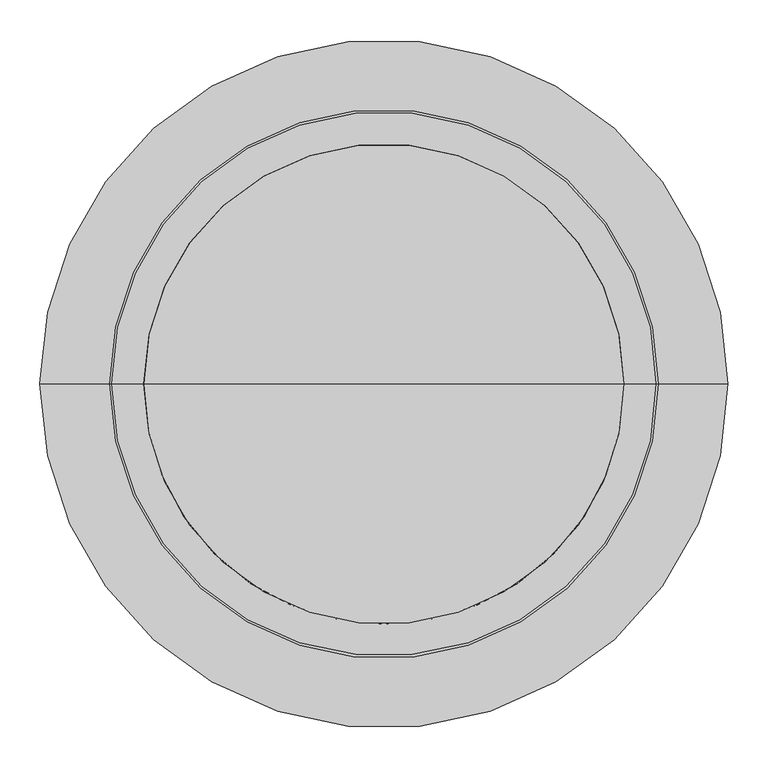
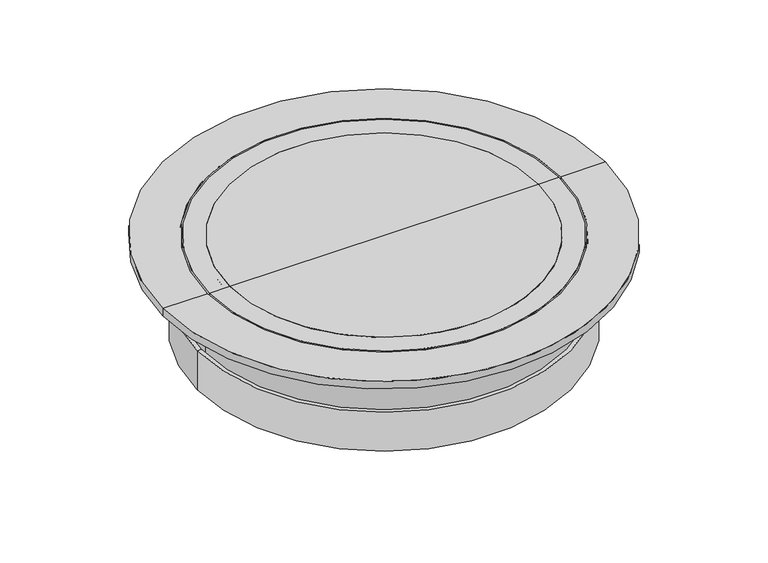
"""IFC4 building model written with IfcOpenShell, lengths in millimetres: sanitary terminal geometry."""

from ifc_helpers import new_model, si_unit, point, frame, origin, origin_with_axes, place, context, project, spatial, polyline, circle_curve, ellipse_curve, trimmed, source, transform, mapped, element, save
from ifc_brep_helpers import plane_surface, cylinder_surface, revolved_surface, advanced_brep


def sanitary_terminal_689e12b0(model_context):
    return source(origin(), model_context, "Body", "AdvancedBrep", [
        advanced_brep(
        [(363.0, 0.0, -110.0), (-363.0, 0.0, -110.0), (-355.0, 0.0, -110.0), (355.0, 0.0, -110.0), (363.0, 0.0, -190.0), (-363.0, 0.0, -190.0), (355.0, 0.0, -190.0), (-355.0, 0.0, -190.0)],
        [
            (0, 1, circle_curve(frame((0.0, 0.0, -110.0), z_axis=(0.0, 0.0, 1.0), x_axis=(-1.0, 0.0, 0.0)), 363.0)),
            (1, 2),
            (2, 3, circle_curve(frame((0.0, 0.0, -110.0), z_axis=(0.0, 0.0, -1.0), x_axis=(-1.0, 0.0, 0.0)), 355.0)),
            (3, 0),
            (1, 0, circle_curve(frame((0.0, 0.0, -110.0), z_axis=(0.0, 0.0, 1.0), x_axis=(-1.0, 0.0, 0.0)), 363.0)),
            (3, 2, circle_curve(frame((0.0, 0.0, -110.0), z_axis=(0.0, 0.0, -1.0), x_axis=(-1.0, 0.0, 0.0)), 355.0)),
            (4, 5, circle_curve(frame((0.0, 0.0, -190.0), z_axis=(0.0, 0.0, 1.0), x_axis=(-1.0, 0.0, 0.0)), 363.0)),
            (5, 1),
            (0, 4),
            (5, 4, circle_curve(frame((0.0, 0.0, -190.0), z_axis=(0.0, 0.0, 1.0), x_axis=(-1.0, 0.0, 0.0)), 363.0)),
            (6, 7, circle_curve(frame((0.0, 0.0, -190.0), z_axis=(0.0, 0.0, 1.0), x_axis=(-1.0, 0.0, 0.0)), 355.0)),
            (7, 5),
            (4, 6),
            (7, 6, circle_curve(frame((0.0, 0.0, -190.0), z_axis=(0.0, 0.0, 1.0), x_axis=(-1.0, 0.0, 0.0)), 355.0)),
            (2, 7),
            (6, 3),
        ],
        [
            plane_surface(frame((0.0, 0.0, -110.0), z_axis=(0.0, 0.0, 1.0), x_axis=(-1.0, 0.0, 0.0))),
            cylinder_surface(frame((0.0, 0.0, 110.5258156), z_axis=(0.0, 0.0, -1.0), x_axis=(-1.0, 0.0, 0.0)), 363.0),
            plane_surface(frame((0.0, 0.0, -190.0), z_axis=(0.0, 0.0, -1.0), x_axis=(-1.0, 0.0, 0.0))),
            revolved_surface(polyline([(-355.0, 0.0, -190.0), (-355.0, 0.0, -109.99999999999999)]), (0.0, 0.0, 110.5258156), (0.0, 0.0, -1.0)),
        ],
        [
            (0, [[1, 2, 3, 4]]),
            (0, [[5, -4, 6, -2]]),
            (1, [[7, 8, -1, 9]]),
            (1, [[10, -9, -5, -8]]),
            (2, [[11, 12, -7, 13]]),
            (2, [[14, -13, -10, -12]]),
            (3, [[-3, 15, -11, 16]]),
            (3, [[-6, -16, -14, -15]]),
        ],
    ),
        advanced_brep(
        [(-430.0, 0.0, 0.0), (430.0, 0.0, 0.0), (430.0, 0.0, -15.0), (-430.0, 0.0, -15.0), (-343.4280406, 0.0, 0.0), (343.4280406, 0.0, 0.0), (-343.4280406, 0.0, -50.0), (343.4280406, 0.0, -50.0), (-302.5, 0.0, -50.0), (302.5, 0.0, -50.0), (-302.5, 0.0, -65.0), (302.5, 0.0, -65.0), (-337.5, 0.0, -65.0), (337.5, 0.0, -65.0), (-337.5, 0.0, -140.0), (337.5, 0.0, -140.0), (-347.5, 0.0, -140.0), (347.5, 0.0, -140.0), (-347.5, 0.0, -65.0), (347.5, 0.0, -65.0), (-353.4280406, 0.0, -60.1624967), (353.4280406, 0.0, -60.1624967), (-353.4280406, 0.0, -15.0), (353.4280406, 0.0, -15.0)],
        [
            (0, 1, circle_curve(frame((0.0, 0.0, 0.0), z_axis=(0.0, 0.0, -1.0), x_axis=(1.0, 0.0, 0.0)), 430.0)),
            (1, 2),
            (2, 3, circle_curve(frame((0.0, 0.0, -15.0), z_axis=(0.0, 0.0, 1.0), x_axis=(1.0, 0.0, 0.0)), 430.0)),
            (3, 0),
            (1, 0, circle_curve(frame((0.0, 0.0, 0.0), z_axis=(0.0, 0.0, -1.0), x_axis=(1.0, 0.0, 0.0)), 430.0)),
            (3, 2, circle_curve(frame((0.0, 0.0, -15.0), z_axis=(0.0, 0.0, 1.0), x_axis=(1.0, 0.0, 0.0)), 430.0)),
            (4, 5, circle_curve(frame((0.0, 0.0, 0.0), z_axis=(0.0, 0.0, -1.0), x_axis=(1.0, 0.0, 0.0)), 343.4280406)),
            (5, 1),
            (0, 4),
            (5, 4, circle_curve(frame((0.0, 0.0, 0.0), z_axis=(0.0, 0.0, -1.0), x_axis=(1.0, 0.0, 0.0)), 343.4280406)),
            (6, 7, circle_curve(frame((0.0, 0.0, -50.0), z_axis=(0.0, 0.0, -1.0), x_axis=(1.0, 0.0, 0.0)), 343.4280406)),
            (7, 5),
            (4, 6),
            (7, 6, circle_curve(frame((0.0, 0.0, -50.0), z_axis=(0.0, 0.0, -1.0), x_axis=(1.0, 0.0, 0.0)), 343.4280406)),
            (8, 9, circle_curve(frame((0.0, 0.0, -50.0), z_axis=(0.0, 0.0, -1.0), x_axis=(1.0, 0.0, 0.0)), 302.5)),
            (9, 7),
            (6, 8),
            (9, 8, circle_curve(frame((0.0, 0.0, -50.0), z_axis=(0.0, 0.0, -1.0), x_axis=(1.0, 0.0, 0.0)), 302.5)),
            (10, 11, circle_curve(frame((0.0, 0.0, -65.0), z_axis=(0.0, 0.0, -1.0), x_axis=(1.0, 0.0, 0.0)), 302.5)),
            (11, 9),
            (8, 10),
            (11, 10, circle_curve(frame((0.0, 0.0, -65.0), z_axis=(0.0, 0.0, -1.0), x_axis=(1.0, 0.0, 0.0)), 302.5)),
            (12, 13, circle_curve(frame((0.0, 0.0, -65.0), z_axis=(0.0, 0.0, -1.0), x_axis=(1.0, 0.0, 0.0)), 337.5)),
            (13, 11),
            (10, 12),
            (13, 12, circle_curve(frame((0.0, 0.0, -65.0), z_axis=(0.0, 0.0, -1.0), x_axis=(1.0, 0.0, 0.0)), 337.5)),
            (14, 15, circle_curve(frame((0.0, 0.0, -140.0), z_axis=(0.0, 0.0, -1.0), x_axis=(1.0, 0.0, 0.0)), 337.5)),
            (15, 13),
            (12, 14),
            (15, 14, circle_curve(frame((0.0, 0.0, -140.0), z_axis=(0.0, 0.0, -1.0), x_axis=(1.0, 0.0, 0.0)), 337.5)),
            (16, 17, circle_curve(frame((0.0, 0.0, -140.0), z_axis=(0.0, 0.0, -1.0), x_axis=(1.0, 0.0, 0.0)), 347.5)),
            (17, 15),
            (14, 16),
            (17, 16, circle_curve(frame((0.0, 0.0, -140.0), z_axis=(0.0, 0.0, -1.0), x_axis=(1.0, 0.0, 0.0)), 347.5)),
            (18, 19, circle_curve(frame((0.0, 0.0, -65.0), z_axis=(0.0, 0.0, -1.0), x_axis=(1.0, 0.0, 0.0)), 347.5)),
            (19, 17),
            (16, 18),
            (19, 18, circle_curve(frame((0.0, 0.0, -65.0), z_axis=(0.0, 0.0, -1.0), x_axis=(1.0, 0.0, 0.0)), 347.5)),
            (20, 21, circle_curve(frame((0.0, 0.0, -60.1624967), z_axis=(0.0, 0.0, -1.0), x_axis=(1.0, 0.0, 0.0)), 353.4280406)),
            (21, 19),
            (18, 20),
            (21, 20, circle_curve(frame((0.0, 0.0, -60.1624967), z_axis=(0.0, 0.0, -1.0), x_axis=(1.0, 0.0, 0.0)), 353.4280406)),
            (22, 23, circle_curve(frame((0.0, 0.0, -15.0), z_axis=(0.0, 0.0, -1.0), x_axis=(1.0, 0.0, 0.0)), 353.4280406)),
            (23, 21),
            (20, 22),
            (23, 22, circle_curve(frame((0.0, 0.0, -15.0), z_axis=(0.0, 0.0, -1.0), x_axis=(1.0, 0.0, 0.0)), 353.4280406)),
            (2, 23),
            (22, 3),
        ],
        [
            cylinder_surface(frame((0.0, 0.0, 220.5258156), z_axis=(0.0, 0.0, 1.0), x_axis=(1.0, 0.0, 0.0)), 430.0),
            plane_surface(origin_with_axes()),
            revolved_surface(polyline([(343.4280406, 0.0, 0.0), (343.4280406, 0.0, -50.0)]), (0.0, 0.0, 220.5258156), (0.0, 0.0, 1.0)),
            plane_surface(frame((0.0, 0.0, -50.0), z_axis=(0.0, 0.0, 1.0), x_axis=(1.0, 0.0, 0.0))),
            revolved_surface(polyline([(302.5, 0.0, -50.0), (302.5, 0.0, -65.0)]), (0.0, 0.0, 220.5258156), (0.0, 0.0, 1.0)),
            plane_surface(frame((0.0, 0.0, -65.0), z_axis=(0.0, 0.0, -1.0), x_axis=(1.0, 0.0, 0.0))),
            revolved_surface(polyline([(337.5, 0.0, -65.0), (337.5, 0.0, -140.0)]), (0.0, 0.0, 220.5258156), (0.0, 0.0, 1.0)),
            plane_surface(frame((0.0, 0.0, -140.0), z_axis=(0.0, 0.0, -1.0), x_axis=(1.0, 0.0, 0.0))),
            cylinder_surface(frame((0.0, 0.0, 220.5258156), z_axis=(0.0, 0.0, 1.0), x_axis=(1.0, 0.0, 0.0)), 347.5),
            revolved_surface(polyline([(347.5, 0.0, -65.0), (353.4280406, 0.0, -60.1624967)]), (0.0, 0.0, 220.5258156), (0.0, 0.0, 1.0)),
            cylinder_surface(frame((0.0, 0.0, 220.5258156), z_axis=(0.0, 0.0, 1.0), x_axis=(1.0, 0.0, 0.0)), 353.4280406),
            plane_surface(frame((0.0, 0.0, -15.0), z_axis=(0.0, 0.0, -1.0), x_axis=(1.0, 0.0, 0.0))),
        ],
        [
            (0, [[1, 2, 3, 4]]),
            (0, [[5, -4, 6, -2]]),
            (1, [[7, 8, -1, 9]]),
            (1, [[10, -9, -5, -8]]),
            (2, [[11, 12, -7, 13]]),
            (2, [[14, -13, -10, -12]]),
            (3, [[15, 16, -11, 17]]),
            (3, [[18, -17, -14, -16]]),
            (4, [[19, 20, -15, 21]]),
            (4, [[22, -21, -18, -20]]),
            (5, [[23, 24, -19, 25]]),
            (5, [[26, -25, -22, -24]]),
            (6, [[27, 28, -23, 29]]),
            (6, [[30, -29, -26, -28]]),
            (7, [[31, 32, -27, 33]]),
            (7, [[34, -33, -30, -32]]),
            (8, [[35, 36, -31, 37]]),
            (8, [[38, -37, -34, -36]]),
            (9, [[39, 40, -35, 41]]),
            (9, [[42, -41, -38, -40]]),
            (10, [[43, 44, -39, 45]]),
            (10, [[46, -45, -42, -44]]),
            (11, [[-3, 47, -43, 48]]),
            (11, [[-6, -48, -46, -47]]),
        ],
    ),
        advanced_brep(
        [(-300.0004067, 0.0, 0.0), (300.0004067, 0.0, 0.0), (299.5379027, 0.0, -10.2605064), (-299.5379027, 0.0, -10.2605064), (0.0, 0.0, 0.0), (-121.2914088, 0.0, -91.0), (121.2914088, 0.0, -91.0), (0.0, 0.0, -91.0), (-281.1057533, 0.0, -40.7382357), (281.1057533, 0.0, -40.7382357)],
        [
            (0, 1, circle_curve(frame((0.0, 0.0, 0.0), z_axis=(0.0, 0.0, -1.0), x_axis=(1.0, 0.0, 0.0)), 300.0004067)),
            (1, 2),
            (2, 3, circle_curve(frame((0.0, 0.0, -10.2605064), z_axis=(0.0, 0.0, 1.0), x_axis=(1.0, 0.0, 0.0)), 299.5379027)),
            (3, 0),
            (1, 0, circle_curve(frame((0.0, 0.0, 0.0), z_axis=(0.0, 0.0, -1.0), x_axis=(1.0, 0.0, 0.0)), 300.0004067)),
            (3, 2, circle_curve(frame((0.0, 0.0, -10.2605064), z_axis=(0.0, 0.0, 1.0), x_axis=(1.0, 0.0, 0.0)), 299.5379027)),
            (4, 1),
            (0, 4),
            (5, 6, circle_curve(frame((0.0, 0.0, -91.0), z_axis=(0.0, 0.0, -1.0), x_axis=(1.0, 0.0, 0.0)), 121.2914088)),
            (6, 7),
            (7, 5),
            (6, 5, circle_curve(frame((0.0, 0.0, -91.0), z_axis=(0.0, 0.0, -1.0), x_axis=(1.0, 0.0, 0.0)), 121.2914088)),
            (8, 9, circle_curve(frame((0.0, 0.0, -40.7382357), z_axis=(0.0, 0.0, -1.0), x_axis=(1.0, 0.0, 0.0)), 281.1057533)),
            (9, 6, circle_curve(frame((115.2533688, 0.0, 207.405765), z_axis=(0.0, 1.0, 0.0), x_axis=(1.0, 0.0, 0.0)), 298.4668466)),
            (5, 8, circle_curve(frame((-115.2533688, 0.0, 207.405765), z_axis=(0.0, 1.0, 0.0), x_axis=(-1.0, 0.0, 0.0)), 298.4668466)),
            (9, 8, circle_curve(frame((0.0, 0.0, -40.7382357), z_axis=(0.0, 0.0, -1.0), x_axis=(1.0, 0.0, 0.0)), 281.1057533)),
            (2, 9, circle_curve(frame((262.3526674, 0.0, -8.5843397), z_axis=(0.0, 1.0, 0.0), x_axis=(1.0, 0.0, 0.0)), 37.2229937)),
            (8, 3, circle_curve(frame((-262.3526674, 0.0, -8.5843397), z_axis=(0.0, 1.0, 0.0), x_axis=(-1.0, 0.0, 0.0)), 37.2229937)),
        ],
        [
            revolved_surface(polyline([(299.5379027, 0.0, -10.2605064), (300.0004067, 0.0, 0.0)]), (0.0, 0.0, 288.0984481), (0.0, 0.0, 1.0)),
            plane_surface(origin_with_axes()),
            plane_surface(frame((0.0, 0.0, -91.0), z_axis=(0.0, 0.0, -1.0), x_axis=(1.0, 0.0, 0.0))),
            revolved_surface(trimmed(ellipse_curve(frame((115.2533688, 0.0, 207.405765), z_axis=(0.0, -1.0, 0.0), x_axis=(1.0, 0.0, 0.0)), 298.4668466, 298.4668466), [point((121.2914088, 0.0, -91.0))], [point((281.1057533, 0.0, -40.7382357))], True, "CARTESIAN"), (0.0, 0.0, 288.0984481), (0.0, 0.0, 1.0)),
            revolved_surface(trimmed(ellipse_curve(frame((262.3526674, 0.0, -8.5843397), z_axis=(0.0, -1.0, 0.0), x_axis=(1.0, 0.0, 0.0)), 37.2229937, 37.2229937), [point((281.1057533, 0.0, -40.7382357))], [point((299.5379027, 0.0, -10.2605064))], True, "CARTESIAN"), (0.0, 0.0, 288.0984481), (0.0, 0.0, 1.0)),
        ],
        [
            (0, [[1, 2, 3, 4]]),
            (0, [[5, -4, 6, -2]]),
            (1, [[7, -1, 8]]),
            (1, [[-8, -5, -7]]),
            (2, [[9, 10, 11]]),
            (2, [[12, -11, -10]]),
            (3, [[13, 14, -9, 15]]),
            (3, [[16, -15, -12, -14]]),
            (4, [[-3, 17, -13, 18]]),
            (4, [[-6, -18, -16, -17]]),
        ],
    ),
        advanced_brep(
        [(-285.3562769, 0.0, -50.0), (285.3562769, 0.0, -50.0), (111.0003192, 0.0, -100.0), (-111.0003192, 0.0, -100.0), (-340.0, 0.0, -50.0), (340.0, 0.0, -50.0), (-340.0, 0.0, 0.0), (340.0, 0.0, 0.0), (-300.0004067, 0.0, 0.0), (300.0004067, 0.0, 0.0), (-299.5379027, 0.0, -10.2605064), (299.5379027, 0.0, -10.2605064), (-281.1057533, 0.0, -40.7382357), (281.1057533, 0.0, -40.7382357), (-108.8074725, 0.0, -90.9993333), (108.8074725, 0.0, -90.9993333), (0.0, 0.0, -90.9993333), (0.0, 0.0, -100.0)],
        [
            (0, 1, circle_curve(frame((0.0, 0.0, -50.0), z_axis=(0.0, 0.0, -1.0), x_axis=(1.0, 0.0, 0.0)), 285.3562769)),
            (1, 2, circle_curve(frame((111.0003192, 0.0, 229.0), z_axis=(0.0, 1.0, 0.0), x_axis=(1.0, 0.0, 0.0)), 329.0)),
            (2, 3, circle_curve(frame((0.0, 0.0, -100.0), z_axis=(0.0, 0.0, 1.0), x_axis=(1.0, 0.0, 0.0)), 111.0003192)),
            (3, 0, circle_curve(frame((-111.0003192, 0.0, 229.0), z_axis=(0.0, 1.0, 0.0), x_axis=(-1.0, 0.0, 0.0)), 329.0)),
            (1, 0, circle_curve(frame((0.0, 0.0, -50.0), z_axis=(0.0, 0.0, -1.0), x_axis=(1.0, 0.0, 0.0)), 285.3562769)),
            (3, 2, circle_curve(frame((0.0, 0.0, -100.0), z_axis=(0.0, 0.0, 1.0), x_axis=(1.0, 0.0, 0.0)), 111.0003192)),
            (4, 5, circle_curve(frame((0.0, 0.0, -50.0), z_axis=(0.0, 0.0, -1.0), x_axis=(1.0, 0.0, 0.0)), 340.0)),
            (5, 1),
            (0, 4),
            (5, 4, circle_curve(frame((0.0, 0.0, -50.0), z_axis=(0.0, 0.0, -1.0), x_axis=(1.0, 0.0, 0.0)), 340.0)),
            (6, 7, circle_curve(frame((0.0, 0.0, 0.0), z_axis=(0.0, 0.0, -1.0), x_axis=(1.0, 0.0, 0.0)), 340.0)),
            (7, 5),
            (4, 6),
            (7, 6, circle_curve(frame((0.0, 0.0, 0.0), z_axis=(0.0, 0.0, -1.0), x_axis=(1.0, 0.0, 0.0)), 340.0)),
            (8, 9, circle_curve(frame((0.0, 0.0, 0.0), z_axis=(0.0, 0.0, -1.0), x_axis=(1.0, 0.0, 0.0)), 300.0004067)),
            (9, 7),
            (6, 8),
            (9, 8, circle_curve(frame((0.0, 0.0, 0.0), z_axis=(0.0, 0.0, -1.0), x_axis=(1.0, 0.0, 0.0)), 300.0004067)),
            (10, 11, circle_curve(frame((0.0, 0.0, -10.2605064), z_axis=(0.0, 0.0, -1.0), x_axis=(1.0, 0.0, 0.0)), 299.5379027)),
            (11, 9),
            (8, 10),
            (11, 10, circle_curve(frame((0.0, 0.0, -10.2605064), z_axis=(0.0, 0.0, -1.0), x_axis=(1.0, 0.0, 0.0)), 299.5379027)),
            (12, 13, circle_curve(frame((0.0, 0.0, -40.7382357), z_axis=(0.0, 0.0, -1.0), x_axis=(1.0, 0.0, 0.0)), 281.1057533)),
            (13, 11, circle_curve(frame((259.2772657, 0.0, -6.7244155), z_axis=(0.0, -1.0, 0.0), x_axis=(1.0, 0.0, 0.0)), 40.4156261)),
            (10, 12, circle_curve(frame((-259.2772657, 0.0, -6.7244155), z_axis=(0.0, -1.0, 0.0), x_axis=(-1.0, 0.0, 0.0)), 40.4156261)),
            (13, 12, circle_curve(frame((0.0, 0.0, -40.7382357), z_axis=(0.0, 0.0, -1.0), x_axis=(1.0, 0.0, 0.0)), 281.1057533)),
            (14, 15, circle_curve(frame((0.0, 0.0, -90.9993333), z_axis=(0.0, 0.0, -1.0), x_axis=(1.0, 0.0, 0.0)), 108.8074725)),
            (15, 13, circle_curve(frame((108.8074725, 0.0, 229.4560187), z_axis=(0.0, -1.0, 0.0), x_axis=(1.0, 0.0, 0.0)), 320.4553521)),
            (12, 14, circle_curve(frame((-108.8074725, 0.0, 229.4560187), z_axis=(0.0, -1.0, 0.0), x_axis=(-1.0, 0.0, 0.0)), 320.4553521)),
            (15, 14, circle_curve(frame((0.0, 0.0, -90.9993333), z_axis=(0.0, 0.0, -1.0), x_axis=(1.0, 0.0, 0.0)), 108.8074725)),
            (16, 15),
            (14, 16),
            (2, 17),
            (17, 3),
        ],
        [
            revolved_surface(trimmed(ellipse_curve(frame((111.0003192, 0.0, 229.0), z_axis=(0.0, -1.0, 0.0), x_axis=(1.0, 0.0, 0.0)), 329.0, 329.0), [point((111.0003192, 0.0, -100.0))], [point((285.3562769, 0.0, -50.0))], True, "CARTESIAN"), (0.0, 0.0, 458.2962759), (0.0, 0.0, 1.0)),
            plane_surface(frame((0.0, 0.0, -50.0), z_axis=(0.0, 0.0, -1.0), x_axis=(1.0, 0.0, 0.0))),
            cylinder_surface(frame((0.0, 0.0, 458.2962759), z_axis=(0.0, 0.0, 1.0), x_axis=(1.0, 0.0, 0.0)), 340.0),
            plane_surface(origin_with_axes()),
            revolved_surface(polyline([(300.0004067, 0.0, 0.0), (299.5379027, 0.0, -10.2605064)]), (0.0, 0.0, 458.2962759), (0.0, 0.0, 1.0)),
            revolved_surface(trimmed(ellipse_curve(frame((259.2772657, 0.0, -6.7244155), z_axis=(0.0, 1.0, 0.0), x_axis=(1.0, 0.0, 0.0)), 40.4156261, 40.4156261), [point((299.5379027, 0.0, -10.2605064))], [point((281.1057533, 0.0, -40.7382357))], True, "CARTESIAN"), (0.0, 0.0, 458.2962759), (0.0, 0.0, 1.0)),
            revolved_surface(trimmed(ellipse_curve(frame((108.8074725, 0.0, 229.4560187), z_axis=(0.0, 1.0, 0.0), x_axis=(1.0, 0.0, 0.0)), 320.4553521, 320.4553521), [point((281.1057533, 0.0, -40.7382357))], [point((108.8074725, 0.0, -90.9993333))], True, "CARTESIAN"), (0.0, 0.0, 458.2962759), (0.0, 0.0, 1.0)),
            plane_surface(frame((0.0, 0.0, -90.9993333), z_axis=(0.0, 0.0, 1.0), x_axis=(1.0, 0.0, 0.0))),
            plane_surface(frame((0.0, 0.0, -100.0), z_axis=(0.0, 0.0, -1.0), x_axis=(1.0, 0.0, 0.0))),
        ],
        [
            (0, [[1, 2, 3, 4]]),
            (0, [[5, -4, 6, -2]]),
            (1, [[7, 8, -1, 9]]),
            (1, [[10, -9, -5, -8]]),
            (2, [[11, 12, -7, 13]]),
            (2, [[14, -13, -10, -12]]),
            (3, [[15, 16, -11, 17]]),
            (3, [[18, -17, -14, -16]]),
            (4, [[19, 20, -15, 21]]),
            (4, [[22, -21, -18, -20]]),
            (5, [[23, 24, -19, 25]]),
            (5, [[26, -25, -22, -24]]),
            (6, [[27, 28, -23, 29]]),
            (6, [[30, -29, -26, -28]]),
            (7, [[31, -27, 32]]),
            (7, [[-32, -30, -31]]),
            (8, [[-3, 33, 34]]),
            (8, [[-6, -34, -33]]),
        ],
    ),
    ])


if __name__ == "__main__":
    model = new_model("IFC4")
    model_context = context("Model", 3, world=origin())
    ifc_project = project(units=[si_unit("LENGTHUNIT", "METRE", prefix="MILLI")], contexts=[model_context])
    site = spatial("IfcSite", under=ifc_project)
    building = spatial("IfcBuilding", under=site)
    placement = place(None, origin())
    sanitary_terminal_shape = sanitary_terminal_689e12b0(model_context)
    element("IfcSanitaryTerminal", 1, at=placement, inside=building, context=model_context, shape_type="MappedRepresentation", body=[
        mapped(sanitary_terminal_shape, transform((0.0, 0.0, 0.0), x_axis=(1.0, 0.0, 0.0), y_axis=(0.0, 1.0, 0.0), z_axis=(0.0, 0.0, 1.0))),
    ])
    save(model, "model.ifc")
